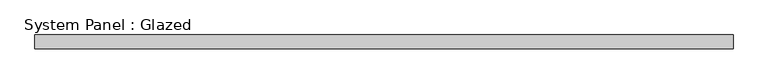
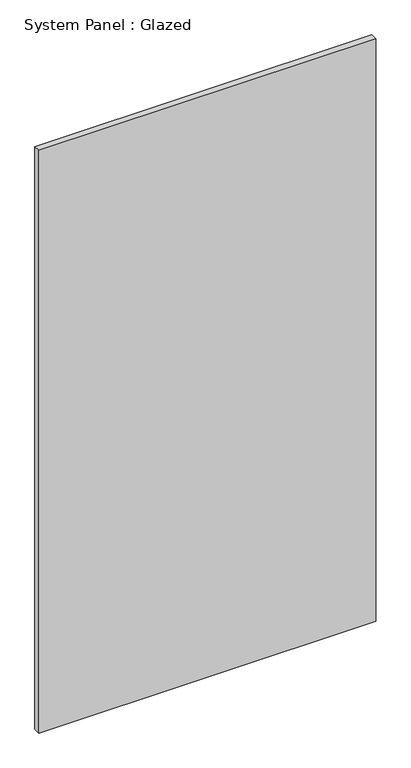
"""IFC4 building model written with IfcOpenShell, lengths in millimetres: plate geometry, System Panel : Glazed."""

from ifc_helpers import new_model, si_unit, origin, origin_with_axes, place, context, project, spatial, polyline, outline, extrude, source, transform, mapped, element, save


def system_panel_glazed_8b53ac4e(model_context):
    return source(origin(), model_context, "Body", "SweptSolid", [
        extrude(outline(polyline([(641.0398862, 19.05), (-641.0398862, 19.05), (-641.0398862, 44.45), (641.0398862, 44.45), (641.0398862, 19.05)])), origin_with_axes(), (0.0, 0.0, 1.0), 2343.15),
    ])


if __name__ == "__main__":
    model = new_model("IFC4")
    model_context = context("Model", 3, world=origin())
    ifc_project = project(units=[si_unit("LENGTHUNIT", "METRE", prefix="MILLI")], contexts=[model_context])
    site = spatial("IfcSite", under=ifc_project)
    building = spatial("IfcBuilding", under=site)
    placement = place(None, origin())
    system_panel_glazed_shape = system_panel_glazed_8b53ac4e(model_context)
    element("IfcPlate", 1, ObjectType="System Panel : Glazed", at=placement, inside=building, context=model_context, shape_type="MappedRepresentation", body=[
        mapped(system_panel_glazed_shape, transform((0.0, 0.0, 0.0), x_axis=(1.0, 0.0, 0.0), y_axis=(0.0, 1.0, 0.0), z_axis=(0.0, 0.0, 1.0))),
    ])
    save(model, "model.ifc")
